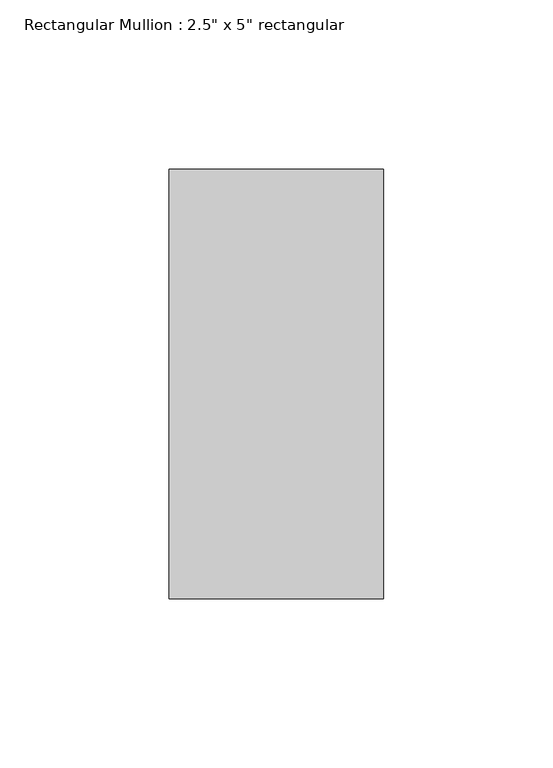
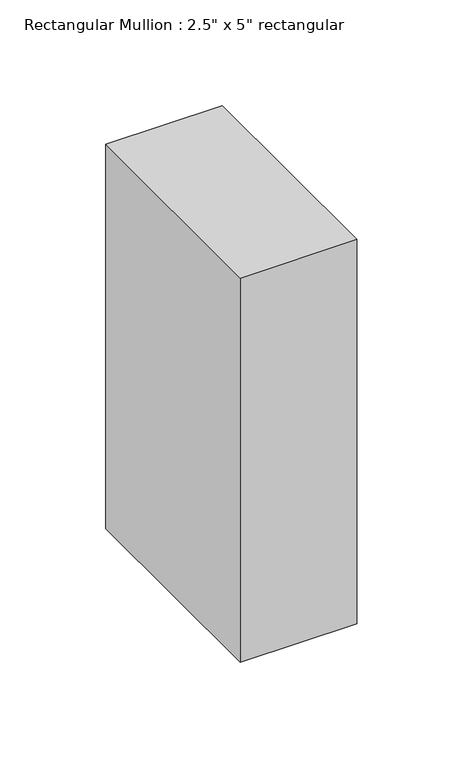
"""IFC4 building model written with IfcOpenShell, lengths in millimetres: member geometry."""

from ifc_helpers import new_model, si_unit, frame, origin, place, context, project, spatial, polyline, outline, extrude, source, transform, mapped, element, save


def member_e4b97699(model_context):
    return source(origin(), model_context, "Body", "SweptSolid", [
        extrude(outline(polyline([(0.0, 63.5), (0.0, -63.5), (-63.5, -63.5), (-63.5, 63.5), (0.0, 63.5)])), frame((0.0, 0.0, -221.4190093), z_axis=(0.0, 0.0, 1.0), x_axis=(1.0, 0.0, 0.0)), (0.0, 0.0, 1.0), 221.4190093),
    ])


if __name__ == "__main__":
    model = new_model("IFC4")
    model_context = context("Model", 3, world=origin())
    ifc_project = project(units=[si_unit("LENGTHUNIT", "METRE", prefix="MILLI")], contexts=[model_context])
    site = spatial("IfcSite", under=ifc_project)
    building = spatial("IfcBuilding", under=site)
    placement = place(None, origin())
    member_shape = member_e4b97699(model_context)
    element("IfcMember", 1, ObjectType="Rectangular Mullion : 2.5\" x 5\" rectangular", at=placement, inside=building, context=model_context, shape_type="MappedRepresentation", body=[
        mapped(member_shape, transform((0.0, 0.0, 0.0), x_axis=(1.0, 0.0, 0.0), y_axis=(0.0, 1.0, 0.0), z_axis=(0.0, 0.0, 1.0))),
    ])
    save(model, "model.ifc")
